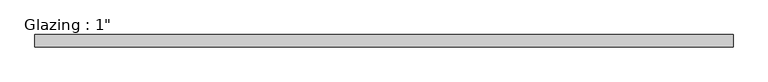
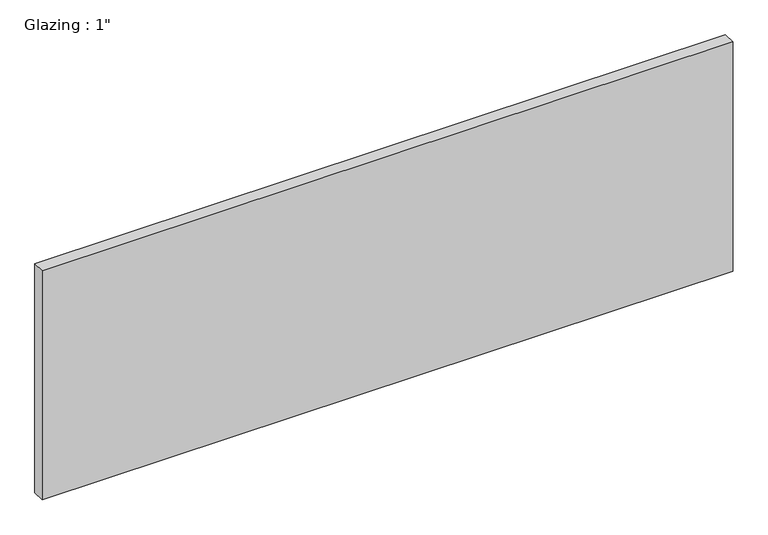
"""IFC4 building model written with IfcOpenShell, lengths in millimetres: plate geometry."""

from ifc_helpers import new_model, si_unit, origin, origin_with_axes, place, context, project, spatial, polyline, outline, extrude, source, transform, mapped, element, save


def plate_b5c325a5(model_context):
    return source(origin(), model_context, "Body", "SweptSolid", [
        extrude(outline(polyline([(710.632433, -12.7), (-710.632433, -12.7), (-710.632433, 12.7), (710.632433, 12.7), (710.632433, -12.7)])), origin_with_axes(), (0.0, 0.0, 1.0), 497.9851068),
    ])


if __name__ == "__main__":
    model = new_model("IFC4")
    model_context = context("Model", 3, world=origin())
    ifc_project = project(units=[si_unit("LENGTHUNIT", "METRE", prefix="MILLI")], contexts=[model_context])
    site = spatial("IfcSite", under=ifc_project)
    building = spatial("IfcBuilding", under=site)
    placement = place(None, origin())
    plate_shape = plate_b5c325a5(model_context)
    element("IfcPlate", 1, ObjectType="Glazing : 1\"", at=placement, inside=building, context=model_context, shape_type="MappedRepresentation", body=[
        mapped(plate_shape, transform((0.0, 0.0, 0.0), x_axis=(1.0, 0.0, 0.0), y_axis=(0.0, 1.0, 0.0), z_axis=(0.0, 0.0, 1.0))),
    ])
    save(model, "model.ifc")
